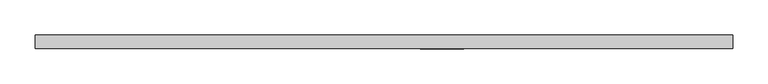
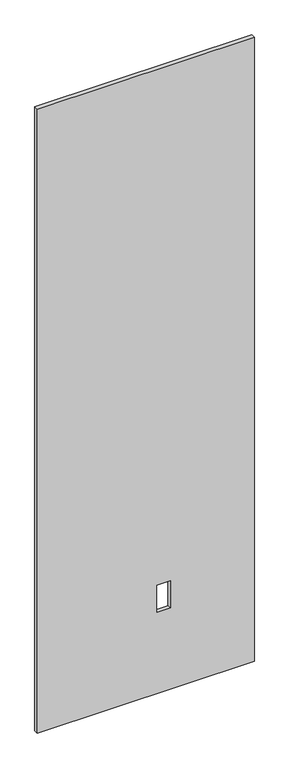
"""IFC4 building model written with IfcOpenShell, lengths in millimetres: proxy geometry."""

import ifcopenshell
import ifcopenshell.guid

model = None  # the IFC model being written
_history = None  # IfcOwnerHistory: only IFC2X3 demands one
_inside = {}  # id of a spatial element -> (the spatial element, [elements in it])
_under = {}  # id of a project, library or spatial element -> (it, [spatial elements below it])
_declared = {}  # id of a project -> (the project, [libraries it declares])
_typed = {}  # id of a type object -> (the type object, [elements of that type])
_made_of = {}  # id of a material, layer set ... -> (it, [elements and type objects made of it])


def new_model(schema):
    """Start an empty IFC model of exactly this schema.

    Asked for "IFC4X3", IfcOpenShell would pick the latest addendum, in which some entities
    have other attributes; the version numbers below select the first issue.
    IFC2X3 requires an IfcOwnerHistory on every rooted entity: one is made here for all.
    """
    global model, _history
    if schema == "IFC4X3":
        model = ifcopenshell.file(schema_version=(4, 3, 0, 0))
    else:
        model = ifcopenshell.file(schema=schema)
    _inside.clear()
    _under.clear()
    _declared.clear()
    _typed.clear()
    _made_of.clear()
    _history = None
    if model.schema == "IFC2X3":
        org = make("IfcOrganization", Name="unknown")
        user = make(
            "IfcPersonAndOrganization",
            ThePerson=make("IfcPerson", FamilyName="unknown"),
            TheOrganization=org,
        )
        app = make(
            "IfcApplication",
            ApplicationDeveloper=org,
            Version="unknown",
            ApplicationFullName="unknown",
            ApplicationIdentifier="unknown",
        )
        _history = make(
            "IfcOwnerHistory",
            OwningUser=user,
            OwningApplication=app,
            ChangeAction="ADDED",
            CreationDate=0,
        )
    return model


def make(cls, **values):
    """One entity of the class cls with the attributes given. An attribute that is None is left unset."""
    return model.create_entity(
        cls, **{name: value for name, value in values.items() if value is not None}
    )


def rooted(cls, **values):
    """An entity with a GlobalId (a new one), such as an element, a storey or a relation."""
    return make(cls, GlobalId=ifcopenshell.guid.new(), OwnerHistory=_history, **values)


def si_unit(unit_type, name, prefix=None):
    """IfcSIUnit, for example si_unit("LENGTHUNIT", "METRE", prefix="MILLI")."""
    return make("IfcSIUnit", UnitType=unit_type, Prefix=prefix, Name=name)


def assignment(units):
    """IfcUnitAssignment: the units of a project."""
    return None if units is None else make("IfcUnitAssignment", Units=units)


def point(xyz):
    """IfcCartesianPoint."""
    return None if xyz is None else make("IfcCartesianPoint", Coordinates=xyz)


def direction(xyz):
    """IfcDirection."""
    return None if xyz is None else make("IfcDirection", DirectionRatios=xyz)


def frame(location, z_axis=None, x_axis=None):
    """IfcAxis2Placement3D, a coordinate frame: its origin and axes. An axis left out is left unset."""
    return make(
        "IfcAxis2Placement3D",
        Location=point(location),
        Axis=direction(z_axis),
        RefDirection=direction(x_axis),
    )


def origin():
    """The frame at (0, 0, 0) with its axes left unset."""
    return frame((0.0, 0.0, 0.0))


def place(relative_to, where):
    """IfcLocalPlacement: puts the frame where relative to a parent placement (None: the world)."""
    return make(
        "IfcLocalPlacement", PlacementRelTo=relative_to, RelativePlacement=where
    )


def context(
    kind, dimensions, precision=None, world=None, true_north=None, identifier=None
):
    """IfcGeometricRepresentationContext, for example the 3D "Model" context."""
    return make(
        "IfcGeometricRepresentationContext",
        ContextIdentifier=identifier,
        ContextType=kind,
        CoordinateSpaceDimension=dimensions,
        Precision=precision,
        WorldCoordinateSystem=world,
        TrueNorth=true_north,
    )


def project(units=None, contexts=None):
    """IfcProject with its units and contexts."""
    return rooted(
        "IfcProject",
        Name="project",
        RepresentationContexts=contexts,
        UnitsInContext=assignment(units),
    )


def spatial(cls, under=None, at=None, **own):
    """A site, building, storey or space (cls), placed at a placement, below another one or the project."""
    s = rooted(cls, ObjectPlacement=at, **own)
    if under is not None:
        _under.setdefault(under.id(), (under, []))[1].append(s)
    return s


def polyline(points):
    """IfcPolyline through the points."""
    return make("IfcPolyline", Points=[point(p) for p in points])


def outline(outer, holes=None, kind="AREA"):
    """IfcArbitraryClosedProfileDef: a profile drawn as a closed curve; with holes, ...WithVoids."""
    if holes is None:
        return make("IfcArbitraryClosedProfileDef", ProfileType=kind, OuterCurve=outer)
    return make(
        "IfcArbitraryProfileDefWithVoids",
        ProfileType=kind,
        OuterCurve=outer,
        InnerCurves=holes,
    )


def extrude(swept, where, along, depth):
    """IfcExtrudedAreaSolid: the profile swept, set in the frame where, extruded along a direction by depth."""
    return make(
        "IfcExtrudedAreaSolid",
        SweptArea=swept,
        Position=where,
        ExtrudedDirection=direction(along),
        Depth=depth,
    )


def shape(context_of_items, identifier, shape_type, items):
    """IfcShapeRepresentation: the items that make up one representation, for example the "Body"."""
    return make(
        "IfcShapeRepresentation",
        ContextOfItems=context_of_items,
        RepresentationIdentifier=identifier,
        RepresentationType=shape_type,
        Items=items,
    )


def source(mapping_origin, context_of_items, identifier, shape_type, items):
    """IfcRepresentationMap: a shape defined once, which mapped items show again and again."""
    return make(
        "IfcRepresentationMap",
        MappingOrigin=mapping_origin,
        MappedRepresentation=shape(context_of_items, identifier, shape_type, items),
    )


def transform(
    local_origin,
    x_axis=None,
    y_axis=None,
    z_axis=None,
    scale=None,
    scale2=None,
    scale3=None,
    uniform=True,
):
    """IfcCartesianTransformationOperator3D, or its non-uniform kind. x_axis, y_axis, z_axis: its Axis1, 2, 3."""
    if uniform:
        return make(
            "IfcCartesianTransformationOperator3D",
            Axis1=direction(x_axis),
            Axis2=direction(y_axis),
            LocalOrigin=point(local_origin),
            Scale=scale,
            Axis3=direction(z_axis),
        )
    return make(
        "IfcCartesianTransformationOperator3DnonUniform",
        Axis1=direction(x_axis),
        Axis2=direction(y_axis),
        LocalOrigin=point(local_origin),
        Scale=scale,
        Axis3=direction(z_axis),
        Scale2=scale2,
        Scale3=scale3,
    )


def mapped(mapping_source, mapping_target):
    """IfcMappedItem: shows the shape of a source again, moved by a transform."""
    return make(
        "IfcMappedItem", MappingSource=mapping_source, MappingTarget=mapping_target
    )


def made_of(thing, what):
    """Note that an element or type object is made of a material, layer set ...; save() writes the relation."""
    if what is not None:
        _made_of.setdefault(what.id(), (what, []))[1].append(thing)
    return thing


def element(
    cls,
    number,
    at=None,
    inside=None,
    cuts=None,
    type_object=None,
    material=None,
    context=None,
    identifier="Body",
    shape_type=None,
    held_by="IfcProductDefinitionShape",
    body=None,
    shapes=None,
    **own,
):
    """One element of the class cls, such as IfcWall. Its Tag is "e" and its number.

    at: its placement. inside: the storey or other place that contains it. cuts: it is an
    opening in that element (IfcRelVoidsElement). A single representation is given by context,
    identifier, shape_type and body (its items); several are given by shapes. held_by: the class
    of the entity that holds the representations. save() writes the other relations.
    """
    e = rooted(cls, Tag="e%d" % number, ObjectPlacement=at, **own)
    if body is not None:
        shapes = [shape(context, identifier, shape_type, body)]
    if shapes is not None:
        e.Representation = make(held_by, Representations=shapes)
    if inside is not None:
        _inside.setdefault(inside.id(), (inside, []))[1].append(e)
    if cuts is not None:
        rooted(
            "IfcRelVoidsElement", RelatingBuildingElement=cuts, RelatedOpeningElement=e
        )
    if type_object is not None:
        _typed.setdefault(type_object.id(), (type_object, []))[1].append(e)
    return made_of(e, material)


def aggregate(whole, parts):
    """IfcRelAggregates: a whole, such as a stair, and the parts it consists of."""
    return rooted("IfcRelAggregates", RelatingObject=whole, RelatedObjects=parts)


def save(model, path):
    """Write the relations noted so far, then the file.

    IfcRelAggregates (storeys below a building ...), IfcRelContainedInSpatialStructure (elements
    in a storey), IfcRelDefinesByType, IfcRelAssociatesMaterial and IfcRelDeclares: one each for
    every whole, place, type object, material and project.
    """
    for whole, parts in _under.values():
        aggregate(whole, parts)
    for where, things in _inside.values():
        rooted(
            "IfcRelContainedInSpatialStructure",
            RelatedElements=things,
            RelatingStructure=where,
        )
    for kind, things in _typed.values():
        rooted("IfcRelDefinesByType", RelatedObjects=things, RelatingType=kind)
    for what, things in _made_of.values():
        rooted("IfcRelAssociatesMaterial", RelatedObjects=things, RelatingMaterial=what)
    for by, libraries in _declared.values():
        rooted("IfcRelDeclares", RelatingContext=by, RelatedDefinitions=libraries)
    model.write(path)


def specialty_equipment_3e4b9383(model_context):
    return source(origin(), model_context, "Body", "SweptSolid", [
        extrude(outline(polyline([(2999.5368001, 493.4204), (2999.5368001, -493.4204), (3.175, -493.4204), (3.175, 493.4204), (2999.5368001, 493.4204)]), holes=[polyline([(522.478, 112.8268), (391.922, 112.8268), (391.922, 51.3588), (522.478, 51.3588), (522.478, 112.8268)])]), frame((0.0, -9.525, 0.0), z_axis=(0.0, 1.0, 0.0), x_axis=(0.0, 0.0, 1.0)), (0.0, 0.0, 1.0), 19.05),
    ])


if __name__ == "__main__":
    model = new_model("IFC4")
    model_context = context("Model", 3, world=origin())
    ifc_project = project(units=[si_unit("LENGTHUNIT", "METRE", prefix="MILLI")], contexts=[model_context])
    site = spatial("IfcSite", under=ifc_project)
    building = spatial("IfcBuilding", under=site)
    placement = place(None, origin())
    specialty_equipment_shape = specialty_equipment_3e4b9383(model_context)
    element("IfcBuildingElementProxy", 1, Name="Specialty Equipment", at=placement, inside=building, context=model_context, shape_type="MappedRepresentation", body=[
        mapped(specialty_equipment_shape, transform((0.0, 0.0, 0.0), x_axis=(1.0, 0.0, 0.0), y_axis=(0.0, 1.0, 0.0), z_axis=(0.0, 0.0, 1.0))),
    ])
    save(model, "model.ifc")
